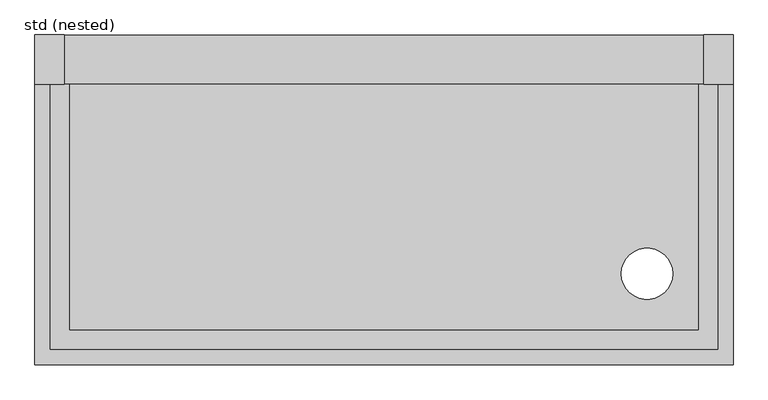
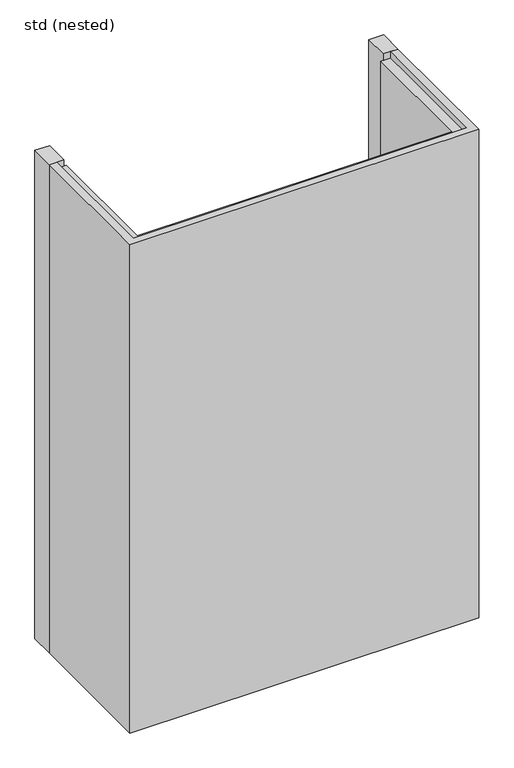
"""IFC4 building model written with IfcOpenShell, lengths in millimetres: proxy geometry, std (nested)."""

from ifc_helpers import new_model, si_unit, frame, origin, place, context, project, spatial, polyline, circle_curve, outline, extrude, source, transform, mapped, element, save
from ifc_brep_helpers import plane_surface, revolved_surface, advanced_brep


def std_nested_a28a15fd(model_context):
    return source(origin(), model_context, "Body", "SolidModel", [
        extrude(outline(polyline([(0.0, -709.5), (0.0, 709.5), (2100.0, 709.5), (2100.0, 649.5), (60.0, 649.5), (60.0, -649.5), (2100.0, -649.5), (2100.0, -709.5), (0.0, -709.5)])), frame((0.0, -100.0, 0.0), z_axis=(0.0, 1.0, 0.0), x_axis=(0.0, 0.0, 1.0)), (0.0, 0.0, 1.0), 100.0),
        advanced_brep(
        [(-709.5, -100.0, 2100.0), (-679.0, -100.0, 2100.0), (-679.0, -100.0, 2072.0), (-639.5, -100.0, 2072.0), (-639.5, -100.0, 100.0), (639.5, -100.0, 100.0), (639.5, -100.0, 2072.0), (679.0, -100.0, 2072.0), (679.0, -100.0, 2100.0), (709.5, -100.0, 2100.0), (709.5, -100.0, 0.0), (-709.5, -100.0, 0.0), (-709.5, -670.0, 0.0), (-709.5, -670.0, 2100.0), (709.5, -670.0, 2100.0), (679.0, -639.5, 2100.0), (-679.0, -639.5, 2100.0), (-679.0, -639.5, 2072.0), (679.0, -639.5, 2072.0), (639.5, -600.0, 2072.0), (-639.5, -600.0, 2072.0), (-639.5, -600.0, 100.0), (709.5, -670.0, 0.0), (639.5, -600.0, 100.0), (482.5, -485.0, 100.0), (586.5, -485.0, 100.0), (482.5, -485.0, 0.0), (586.5, -485.0, 0.0)],
        [
            (0, 1),
            (1, 2),
            (2, 3),
            (3, 4),
            (4, 5),
            (5, 6),
            (6, 7),
            (7, 8),
            (8, 9),
            (9, 10),
            (10, 11),
            (11, 0),
            (11, 12),
            (12, 13),
            (13, 0),
            (13, 14),
            (14, 9),
            (8, 15),
            (15, 16),
            (16, 1),
            (16, 17),
            (17, 2),
            (17, 18),
            (18, 7),
            (6, 19),
            (19, 20),
            (20, 3),
            (20, 21),
            (21, 4),
            (12, 22),
            (22, 14),
            (15, 18),
            (19, 23),
            (23, 21),
            (22, 10),
            (5, 23),
            (24, 25, circle_curve(frame((534.5, -485.0, 100.0), z_axis=(0.0, 0.0, -1.0), x_axis=(1.0, 0.0, 0.0)), 52.0)),
            (25, 24, circle_curve(frame((534.5, -485.0, 100.0), z_axis=(0.0, 0.0, -1.0), x_axis=(1.0, 0.0, 0.0)), 52.0)),
            (26, 27, circle_curve(frame((534.5, -485.0, 0.0), z_axis=(0.0, 0.0, 1.0), x_axis=(1.0, 0.0, 0.0)), 52.0)),
            (27, 26, circle_curve(frame((534.5, -485.0, 0.0), z_axis=(0.0, 0.0, 1.0), x_axis=(1.0, 0.0, 0.0)), 52.0)),
            (24, 26),
            (27, 25),
        ],
        [
            plane_surface(frame((-709.5, -100.0, 0.0), z_axis=(0.0, 1.0, 0.0), x_axis=(0.0, 0.0, 1.0))),
            plane_surface(frame((-709.5, -100.0, 100.0), z_axis=(-1.0, 0.0, 0.0), x_axis=(0.0, -1.0, 0.0))),
            plane_surface(frame((-709.5, -100.0, 2100.0), z_axis=(0.0, 0.0, 1.0), x_axis=(0.0, -1.0, 0.0))),
            plane_surface(frame((-679.0, -100.0, 2100.0), z_axis=(1.0, 0.0, 0.0), x_axis=(0.0, -1.0, 0.0))),
            plane_surface(frame((-679.0, -100.0, 2072.0), z_axis=(0.0, 0.0, 1.0), x_axis=(0.0, -1.0, 0.0))),
            plane_surface(frame((-639.5, -100.0, 2072.0), z_axis=(1.0, 0.0, 0.0), x_axis=(0.0, -1.0, 0.0))),
            plane_surface(frame((-709.5, -670.0, 100.0), z_axis=(0.0, -1.0, 0.0), x_axis=(1.0, 0.0, 0.0))),
            plane_surface(frame((-679.0, -639.5, 2100.0), z_axis=(0.0, 1.0, 0.0), x_axis=(1.0, 0.0, 0.0))),
            plane_surface(frame((-639.5, -600.0, 2072.0), z_axis=(0.0, 1.0, 0.0), x_axis=(1.0, 0.0, 0.0))),
            plane_surface(frame((709.5, -670.0, 100.0), z_axis=(1.0, 0.0, 0.0), x_axis=(0.0, 1.0, 0.0))),
            plane_surface(frame((679.0, -639.5, 2100.0), z_axis=(-1.0, 0.0, 0.0), x_axis=(0.0, 1.0, 0.0))),
            plane_surface(frame((639.5, -600.0, 2072.0), z_axis=(-1.0, 0.0, 0.0), x_axis=(0.0, 1.0, 0.0))),
            plane_surface(frame((-709.5, -100.0, 100.0), z_axis=(0.0, 0.0, 1.0), x_axis=(-1.0, 0.0, 0.0))),
            plane_surface(frame((-709.5, -100.0, 0.0), z_axis=(0.0, 0.0, -1.0), x_axis=(1.0, 0.0, 0.0))),
            revolved_surface(polyline([(586.5, -485.0, 0.0), (586.5, -485.0, 100.0)]), (534.5, -485.0, 0.0), (0.0, 0.0, -1.0)),
        ],
        [
            (0, [[1, 2, 3, 4, 5, 6, 7, 8, 9, 10, 11, 12]]),
            (1, [[-12, 13, 14, 15]]),
            (2, [[-1, -15, 16, 17, -9, 18, 19, 20]]),
            (3, [[-2, -20, 21, 22]]),
            (4, [[-3, -22, 23, 24, -7, 25, 26, 27]]),
            (5, [[-4, -27, 28, 29]]),
            (6, [[-14, 30, 31, -16]]),
            (7, [[-19, 32, -23, -21]]),
            (8, [[-26, 33, 34, -28]]),
            (9, [[-10, -17, -31, 35]]),
            (10, [[-18, -8, -24, -32]]),
            (11, [[-25, -6, 36, -33]]),
            (12, [[-5, -29, -34, -36], [37, 38]]),
            (13, [[-35, -30, -13, -11], [39, 40]]),
            (14, [[-37, 41, -40, 42]]),
            (14, [[-38, -42, -39, -41]]),
        ],
    ),
    ])


if __name__ == "__main__":
    model = new_model("IFC4")
    model_context = context("Model", 3, world=origin())
    ifc_project = project(units=[si_unit("LENGTHUNIT", "METRE", prefix="MILLI")], contexts=[model_context])
    site = spatial("IfcSite", under=ifc_project)
    building = spatial("IfcBuilding", under=site)
    placement = place(None, origin())
    std_nested_shape = std_nested_a28a15fd(model_context)
    element("IfcBuildingElementProxy", 1, Name="std (nested)", ObjectType="std (nested)", at=placement, inside=building, context=model_context, shape_type="MappedRepresentation", body=[
        mapped(std_nested_shape, transform((0.0, 0.0, 0.0), x_axis=(1.0, 0.0, 0.0), y_axis=(0.0, 1.0, 0.0), z_axis=(0.0, 0.0, 1.0))),
    ])
    save(model, "model.ifc")
